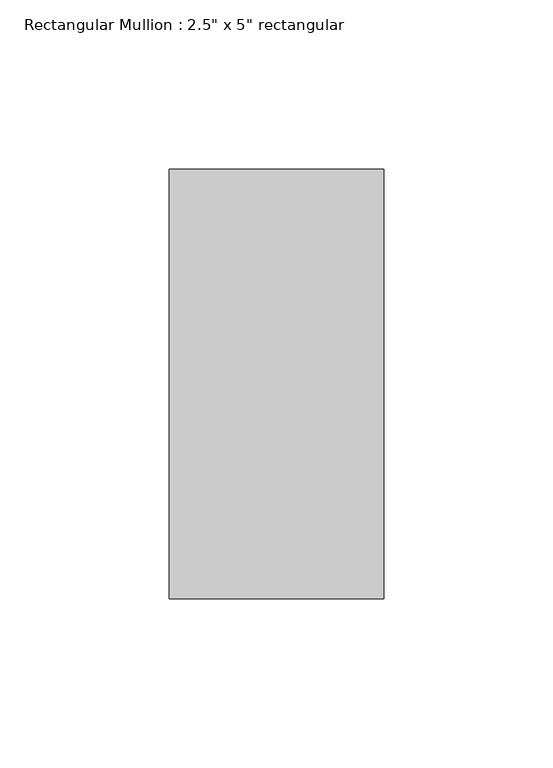
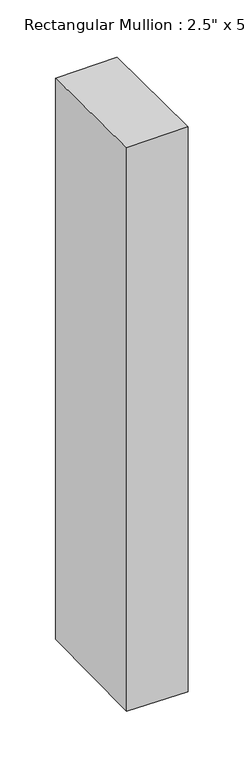
"""IFC4 building model written with IfcOpenShell, lengths in millimetres: member geometry."""

from ifc_helpers import new_model, si_unit, origin, place, context, project, spatial, faceted_brep, source, transform, mapped, element, save


def member_0cd82b3f(model_context):
    return source(origin(), model_context, "Body", "Brep", [
        faceted_brep([(-63.5, 63.5, -1.5447291), (0.0, 63.5, -0.7464426), (0.0, 63.5, -614.4952657), (-63.5, 63.5, -613.5656844), (-63.5, -63.5, -0.051844), (-63.5, -63.5, -615.0696079), (0.0, -63.5, 0.7464426), (0.0, -63.5, -615.9991892)], [[[0, 1, 2, 3]], [[4, 0, 3, 5]], [[6, 4, 5, 7]], [[1, 6, 7, 2]], [[1, 0, 4, 6]], [[2, 7, 5, 3]]]),
    ])


if __name__ == "__main__":
    model = new_model("IFC4")
    model_context = context("Model", 3, world=origin())
    ifc_project = project(units=[si_unit("LENGTHUNIT", "METRE", prefix="MILLI")], contexts=[model_context])
    site = spatial("IfcSite", under=ifc_project)
    building = spatial("IfcBuilding", under=site)
    placement = place(None, origin())
    member_shape = member_0cd82b3f(model_context)
    element("IfcMember", 1, ObjectType="Rectangular Mullion : 2.5\" x 5\" rectangular", at=placement, inside=building, context=model_context, shape_type="MappedRepresentation", body=[
        mapped(member_shape, transform((0.0, 0.0, 0.0), x_axis=(1.0, 0.0, 0.0), y_axis=(0.0, 1.0, 0.0), z_axis=(0.0, 0.0, 1.0))),
    ])
    save(model, "model.ifc")
